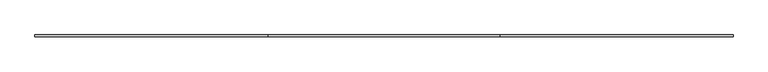
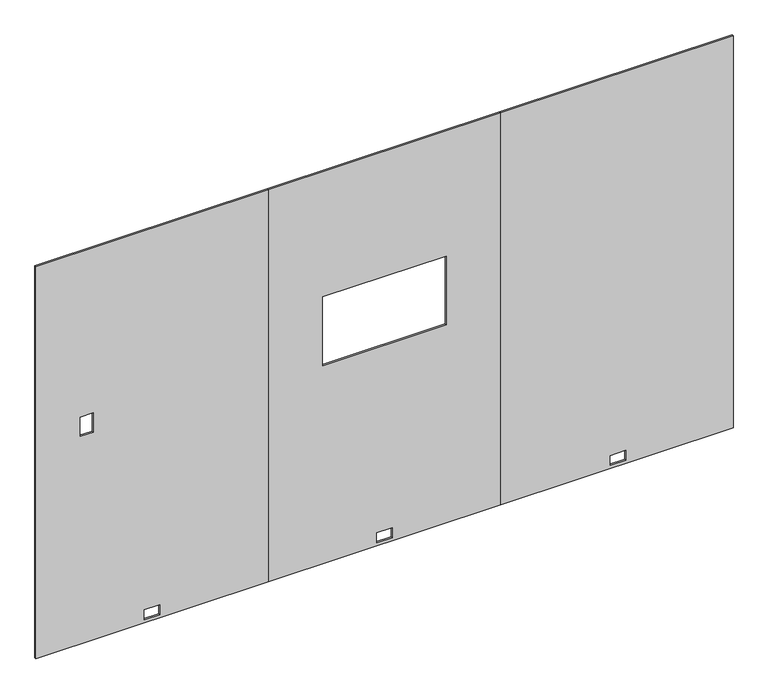
"""IFC4 building model written with IfcOpenShell, lengths in millimetres: furniture geometry."""

from ifc_helpers import new_model, si_unit, frame, origin, place, context, project, spatial, polyline, outline, extrude, source, transform, mapped, element, save


def furniture_af13ec9a(model_context):
    return source(origin(), model_context, "Body", "SweptSolid", [
        extrude(outline(polyline([(12.7, 0.0), (12.7, 1219.2), (2186.3010468, 1219.2), (2186.3010468, 0.0), (12.7, 0.0)]), holes=[polyline([(29.6164, 568.4774), (83.9724, 568.4774), (83.9724, 650.7226), (29.6164, 650.7226), (29.6164, 568.4774)]), polyline([(1271.0668, 233.3610103), (1271.0668, 300.3410789), (1163.3708, 300.3410789), (1163.3708, 233.3610103), (1271.0668, 233.3610103)])]), frame((0.0, -4.7752, 0.0), z_axis=(0.0, 1.0, 0.0), x_axis=(0.0, 0.0, 1.0)), (0.0, 0.0, 1.0), 9.525),
        extrude(outline(polyline([(12.7, 2438.4), (12.7, 3657.6), (2186.3010468, 3657.6), (2186.3010468, 2438.4), (12.7, 2438.4)]), holes=[polyline([(29.6164, 3013.1631299), (83.9724, 3013.1631299), (83.9724, 3095.4083299), (29.6164, 3095.4083299), (29.6164, 3013.1631299)])]), frame((0.0, -4.7752, 0.0), z_axis=(0.0, 1.0, 0.0), x_axis=(0.0, 0.0, 1.0)), (0.0, 0.0, 1.0), 9.525),
        extrude(outline(polyline([(12.7, 1219.2), (12.7, 2438.4), (2186.3010468, 2438.4), (2186.3010468, 1219.2), (12.7, 1219.2)]), holes=[polyline([(1491.9706, 1504.95), (1491.9706, 2152.65), (1110.9706, 2152.65), (1110.9706, 1504.95), (1491.9706, 1504.95)]), polyline([(83.9724, 1869.9226), (29.6164, 1869.9226), (29.6164, 1787.6774), (83.9724, 1787.6774), (83.9724, 1869.9226)])]), frame((0.0, -4.7752, 0.0), z_axis=(0.0, 1.0, 0.0), x_axis=(0.0, 0.0, 1.0)), (0.0, 0.0, 1.0), 9.525),
    ])


if __name__ == "__main__":
    model = new_model("IFC4")
    model_context = context("Model", 3, world=origin())
    ifc_project = project(units=[si_unit("LENGTHUNIT", "METRE", prefix="MILLI")], contexts=[model_context])
    site = spatial("IfcSite", under=ifc_project)
    building = spatial("IfcBuilding", under=site)
    placement = place(None, origin())
    furniture_shape = furniture_af13ec9a(model_context)
    element("IfcFurniture", 1, at=placement, inside=building, context=model_context, shape_type="MappedRepresentation", body=[
        mapped(furniture_shape, transform((0.0, 0.0, 0.0), x_axis=(1.0, 0.0, 0.0), y_axis=(0.0, 1.0, 0.0), z_axis=(0.0, 0.0, 1.0))),
    ])
    save(model, "model.ifc")
